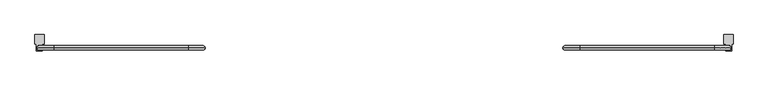
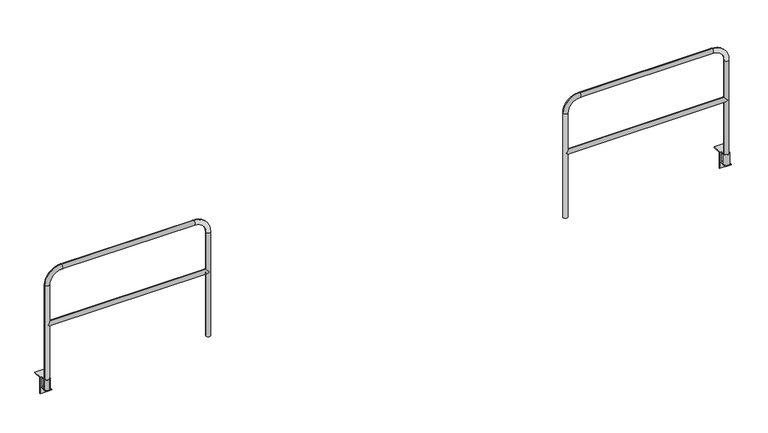
"""IFC4 building model written with IfcOpenShell, lengths in millimetres: railing geometry."""

from ifc_helpers import new_model, si_unit, point, frame, frame_2d, origin, place, context, project, spatial, polyline, circle_curve, ellipse_curve, trimmed, segment, composite_curve, outline, extrude, source, transform, mapped, element, save
from ifc_brep_helpers import plane_surface, cylinder_surface, revolved_surface, advanced_brep


def railing_348017b5(model_context):
    return source(origin(), model_context, "Body", "SolidModel", [
        advanced_brep(
        [(25061.8496377, 15414.0676937, -95.25), (25061.8496377, 15441.0551937, -95.25), (25061.8496377, 15479.1551937, -95.25), (25061.8496377, 15479.1551937, -101.6), (25061.8496377, 15414.0676937, -101.6), (25061.8496377, 15479.1551937, 6.35), (25061.8496377, 15479.1551937, 0.0), (25061.8496377, 15441.0551937, 0.0), (25061.8496377, 15441.0551937, 6.35), (25115.8246377, 15479.1551937, -101.6), (25115.8246377, 15479.1551937, -95.25), (25115.8246377, 15441.0551937, -95.25), (25115.8246377, 15414.0676937, -95.25), (25115.8246377, 15414.0676937, -101.6), (25115.8246377, 15479.1551937, 0.0), (25115.8246377, 15479.1551937, 6.35), (25115.8246377, 15441.0551937, 6.35), (25115.8246377, 15441.0551937, 0.0), (25130.205601, 15561.7051937, 6.35), (25047.4686744, 15561.7051937, 6.35), (25047.4686744, 15479.1551937, 6.35), (25130.205601, 15479.1551937, 6.35), (25130.205601, 15561.7051937, 0.0), (25047.4686744, 15561.7051937, 0.0), (25130.205601, 15485.5051937, 0.0), (25115.8246377, 15485.5051937, 0.0), (25061.8496377, 15485.5051937, 0.0), (25047.4686744, 15485.5051937, 0.0), (25115.8246377, 15485.5051937, -95.25), (25130.205601, 15485.5051937, -152.4), (25047.4686744, 15485.5051937, -152.4), (25061.8496377, 15485.5051937, -95.25), (25088.8371377, 15414.0676937, -95.25), (25130.205601, 15479.1551937, -152.4), (25047.4686744, 15479.1551937, -152.4)],
        [
            (0, 1),
            (1, 2),
            (2, 3),
            (3, 4),
            (4, 0),
            (5, 6),
            (6, 7),
            (7, 8),
            (8, 5),
            (9, 10),
            (10, 11),
            (11, 12),
            (12, 13),
            (13, 9),
            (14, 15),
            (15, 16),
            (16, 17),
            (17, 14),
            (18, 19),
            (19, 20),
            (20, 5),
            (8, 16, circle_curve(frame((25088.8371377, 15441.0551937, 6.35), z_axis=(0.0, 0.0, -1.0), x_axis=(-1.0000000000000002, 0.0, 0.0)), 26.9875)),
            (15, 21),
            (21, 18),
            (22, 23),
            (23, 19),
            (18, 22),
            (24, 25),
            (25, 14),
            (17, 7, circle_curve(frame((25088.8371377, 15441.0551937, 0.0), z_axis=(0.0, 0.0, 1.0), x_axis=(-1.0000000000000002, 0.0, 0.0)), 26.9875)),
            (6, 26),
            (26, 27),
            (27, 23),
            (22, 24),
            (28, 25),
            (24, 29),
            (29, 30),
            (30, 27),
            (26, 31),
            (31, 28),
            (31, 2),
            (0, 32),
            (32, 12),
            (10, 28),
            (4, 13),
            (3, 9),
            (21, 33),
            (33, 29),
            (10, 14),
            (30, 34),
            (34, 20),
            (6, 2),
            (34, 33),
        ],
        [
            plane_surface(frame((25061.8496377, 15485.5051937, 0.0), z_axis=(-1.0, 0.0, 0.0), x_axis=(0.0, 0.0, 1.0))),
            plane_surface(frame((25115.8246377, 15485.5051937, 0.0), z_axis=(1.0, 0.0, 0.0), x_axis=(0.0, 0.0, 1.0))),
            plane_surface(frame((25061.8496377, 15561.7051937, 6.35), z_axis=(0.0, 0.0, 1.0), x_axis=(1.0, 0.0, 0.0))),
            plane_surface(frame((25061.8496377, 15561.7051937, 0.0), z_axis=(0.0, 1.0, 0.0), x_axis=(1.0, 0.0, 0.0))),
            plane_surface(frame((25061.8496377, 15441.0551937, 0.0), z_axis=(0.0, 0.0, -1.0), x_axis=(1.0, 0.0, 0.0))),
            plane_surface(frame((25061.8496377, 15485.5051937, -152.4), z_axis=(0.0, 1.0, 0.0), x_axis=(1.0, 0.0, 0.0))),
            plane_surface(frame((25061.8496377, 15485.5051937, -95.25), z_axis=(0.0, 0.0, 1.0), x_axis=(1.0, 0.0, 0.0))),
            plane_surface(frame((25061.8496377, 15414.0676937, -95.25), z_axis=(0.0, -1.0, 0.0), x_axis=(1.0, 0.0, 0.0))),
            plane_surface(frame((25061.8496377, 15414.0676937, -101.6), z_axis=(0.0, 0.0, -1.0), x_axis=(1.0, 0.0, 0.0))),
            plane_surface(frame((25130.205601, 15485.5051937, 0.0), z_axis=(1.0, 0.0, 0.0), x_axis=(0.0, 0.0, 1.0))),
            plane_surface(frame((25115.8246377, 15485.5051937, 0.0), z_axis=(-1.0, 0.0, 0.0), x_axis=(0.0, 0.0, 1.0))),
            plane_surface(frame((25047.4686744, 15485.5051937, 0.0), z_axis=(-1.0, 0.0, 0.0), x_axis=(0.0, 0.0, 1.0))),
            plane_surface(frame((25061.8496377, 15485.5051937, 0.0), z_axis=(1.0, 0.0, 0.0), x_axis=(0.0, 0.0, 1.0))),
            revolved_surface(polyline([(25061.8496377, 15441.0551937, 6.349999999999994), (25061.8496377, 15441.0551937, 0.0)]), (25088.8371377, 15441.0551937, -95.25), (0.0, 0.0, 1.0)),
            plane_surface(frame((25061.8496377, 15479.1551937, -101.6), z_axis=(0.0, -1.0, 0.0), x_axis=(1.0, 0.0, 0.0))),
            plane_surface(frame((25061.8496377, 15479.1551937, -152.4), z_axis=(0.0, 0.0, -1.0), x_axis=(1.0, 0.0, 0.0))),
        ],
        [
            (0, [[1, 2, 3, 4, 5]]),
            (0, [[6, 7, 8, 9]]),
            (1, [[10, 11, 12, 13, 14]]),
            (1, [[15, 16, 17, 18]]),
            (2, [[19, 20, 21, -9, 22, -16, 23, 24]]),
            (3, [[25, 26, -19, 27]]),
            (4, [[28, 29, -18, 30, -7, 31, 32, 33, -25, 34]]),
            (5, [[35, -28, 36, 37, 38, -32, 39, 40]]),
            (6, [[41, -2, -1, 42, 43, -12, -11, 44, -40]]),
            (7, [[45, -13, -43, -42, -5]]),
            (8, [[46, -14, -45, -4]]),
            (9, [[-36, -34, -27, -24, 47, 48]]),
            (10, [[-44, 49, -29, -35]]),
            (11, [[50, 51, -20, -26, -33, -38]]),
            (12, [[-31, 52, -41, -39]]),
            (13, [[-30, -17, -22, -8]]),
            (14, [[-3, -52, -6, -21, -51, 53, -47, -23, -15, -49, -10, -46]]),
            (15, [[-53, -50, -37, -48]]),
        ],
    ),
        extrude(outline(composite_curve([segment(trimmed(circle_curve(frame_2d((25088.8371377, 15441.0551937)), 26.9875), [point((25115.8246377, 15441.0551937))], [point((25061.8496377, 15441.0551937))], False, "CARTESIAN"), True, "CONTINUOUS"), segment(trimmed(circle_curve(frame_2d((25088.8371377, 15441.0551937)), 26.9875), [point((25061.8496377, 15441.0551937))], [point((25115.8246377, 15441.0551937))], False, "CARTESIAN"), True, "CONTINUOUS")], self_intersect=False), holes=[composite_curve([segment(trimmed(circle_curve(frame_2d((25088.8371377, 15441.0551937)), 20.6375), [point((25109.4746377, 15441.0551937))], [point((25068.1996377, 15441.0551937))], True, "CARTESIAN"), True, "CONTINUOUS"), segment(trimmed(circle_curve(frame_2d((25088.8371377, 15441.0551937)), 20.6375), [point((25068.1996377, 15441.0551937))], [point((25109.4746377, 15441.0551937))], True, "CARTESIAN"), True, "CONTINUOUS")], self_intersect=False)]), frame((0.0, 0.0, -95.25), z_axis=(0.0, 0.0, 1.0), x_axis=(1.0, 0.0, 0.0)), (0.0, 0.0, 1.0), 101.6),
        advanced_brep(
        [(23626.7496377, 15441.0551937, 554.0375), (23606.1121377, 15420.4176937, 533.4), (23626.7496377, 15441.0551937, 512.7625), (25068.1996377, 15441.0551937, 512.7625), (25088.8371377, 15420.4176937, 533.4), (25068.1996377, 15441.0551937, 554.0375), (25088.8371377, 15461.6926937, 533.4), (23606.1121377, 15461.6926937, 533.4), (23585.4746377, 15441.0551937, -95.25), (23626.7496377, 15441.0551937, -95.25), (23626.7496377, 15441.0551937, 914.4), (23585.4746377, 15441.0551937, 914.4), (23737.8746377, 15441.0551937, 1025.525), (23737.8746377, 15441.0551937, 1066.8), (24957.0746377, 15441.0551937, 1025.525), (24957.0746377, 15441.0551937, 1066.8), (25068.1996377, 15441.0551937, 914.4), (25109.4746377, 15441.0551937, 914.4), (25109.4746377, 15441.0551937, -95.25), (25068.1996377, 15441.0551937, -95.25)],
        [
            (0, 1, ellipse_curve(frame((23606.1121377, 15441.0551937, 533.4), z_axis=(0.7071067811865475, 0.0, -0.7071067811865475), x_axis=(-0.7071067811865476, 0.0, -0.7071067811865474)), 29.1858324, 20.6375)),
            (1, 2, ellipse_curve(frame((23606.1121377, 15441.0551937, 533.4), z_axis=(0.7071067811865475, 0.0, 0.7071067811865475), x_axis=(-0.7071067811865476, 0.0, 0.7071067811865474)), 29.1858324, 20.6375)),
            (2, 3),
            (3, 4, ellipse_curve(frame((25088.8371377, 15441.0551937, 533.4), z_axis=(-0.7071067811865475, 0.0, 0.7071067811865475), x_axis=(-0.7071067811865476, 0.0, -0.7071067811865474)), 29.1858324, 20.6375)),
            (4, 5, ellipse_curve(frame((25088.8371377, 15441.0551937, 533.4), z_axis=(-0.7071067811865475, 0.0, -0.7071067811865475), x_axis=(-0.7071067811865476, 0.0, 0.7071067811865474)), 29.1858324, 20.6375)),
            (5, 0),
            (5, 6, ellipse_curve(frame((25088.8371377, 15441.0551937, 533.4), z_axis=(-0.7071067811865475, 0.0, -0.7071067811865475), x_axis=(-0.7071067811865476, 0.0, 0.7071067811865474)), 29.1858324, 20.6375)),
            (6, 3, ellipse_curve(frame((25088.8371377, 15441.0551937, 533.4), z_axis=(-0.7071067811865475, 0.0, 0.7071067811865475), x_axis=(-0.7071067811865476, 0.0, -0.7071067811865474)), 29.1858324, 20.6375)),
            (2, 7, ellipse_curve(frame((23606.1121377, 15441.0551937, 533.4), z_axis=(0.7071067811865475, 0.0, 0.7071067811865475), x_axis=(-0.7071067811865476, 0.0, 0.7071067811865474)), 29.1858324, 20.6375)),
            (7, 0, ellipse_curve(frame((23606.1121377, 15441.0551937, 533.4), z_axis=(0.7071067811865475, 0.0, -0.7071067811865475), x_axis=(-0.7071067811865476, 0.0, -0.7071067811865474)), 29.1858324, 20.6375)),
            (8, 9, circle_curve(frame((23606.1121377, 15441.0551937, -95.25), z_axis=(0.0, 0.0, -1.0), x_axis=(1.0, 0.0, 0.0)), 20.6375)),
            (9, 8, circle_curve(frame((23606.1121377, 15441.0551937, -95.25), z_axis=(0.0, 0.0, -1.0), x_axis=(1.0, 0.0, 0.0)), 20.6375)),
            (9, 2),
            (0, 10),
            (10, 11, circle_curve(frame((23606.1121377, 15441.0551937, 914.4), z_axis=(0.0, 0.0, -1.0), x_axis=(1.0, 0.0, 0.0)), 20.6375)),
            (11, 8),
            (11, 10, circle_curve(frame((23606.1121377, 15441.0551937, 914.4), z_axis=(0.0, 0.0, -1.0), x_axis=(1.0, 0.0, 0.0)), 20.6375)),
            (10, 12, circle_curve(frame((23737.8746377, 15441.0551937, 914.4), z_axis=(0.0, 1.0, 0.0), x_axis=(-1.0, 0.0, 0.0)), 111.125)),
            (12, 13, circle_curve(frame((23737.8746377, 15441.0551937, 1046.1625), z_axis=(-1.0, 0.0, 0.0), x_axis=(0.0, 0.0, -1.0)), 20.6375)),
            (13, 11, circle_curve(frame((23737.8746377, 15441.0551937, 914.4), z_axis=(0.0, -1.0, 0.0), x_axis=(-1.0, 0.0, 0.0)), 152.4)),
            (13, 12, circle_curve(frame((23737.8746377, 15441.0551937, 1046.1625), z_axis=(-1.0, 0.0, 0.0), x_axis=(0.0, 0.0, -1.0)), 20.6375)),
            (12, 14),
            (14, 15, circle_curve(frame((24957.0746377, 15441.0551937, 1046.1625), z_axis=(-1.0, 0.0, 0.0), x_axis=(0.0, 0.0, -1.0)), 20.6375)),
            (15, 13),
            (15, 14, circle_curve(frame((24957.0746377, 15441.0551937, 1046.1625), z_axis=(-1.0, 0.0, 0.0), x_axis=(0.0, 0.0, -1.0)), 20.6375)),
            (14, 16, circle_curve(frame((24957.0746377, 15441.0551937, 914.4), z_axis=(0.0, 1.0, 0.0), x_axis=(0.0, 0.0, 1.0)), 111.125)),
            (16, 17, circle_curve(frame((25088.8371377, 15441.0551937, 914.4), z_axis=(0.0, 0.0, 1.0), x_axis=(-1.0, 0.0, 0.0)), 20.6375)),
            (17, 15, circle_curve(frame((24957.0746377, 15441.0551937, 914.4), z_axis=(0.0, -1.0, 0.0), x_axis=(0.0, 0.0, 1.0)), 152.4)),
            (17, 16, circle_curve(frame((25088.8371377, 15441.0551937, 914.4), z_axis=(0.0, 0.0, 1.0), x_axis=(-1.0, 0.0, 0.0)), 20.6375)),
            (18, 19, circle_curve(frame((25088.8371377, 15441.0551937, -95.25), z_axis=(0.0, 0.0, -1.0), x_axis=(-1.0, 0.0, 0.0)), 20.6375)),
            (19, 18, circle_curve(frame((25088.8371377, 15441.0551937, -95.25), z_axis=(0.0, 0.0, -1.0), x_axis=(-1.0, 0.0, 0.0)), 20.6375)),
            (16, 5),
            (3, 19),
            (18, 17),
        ],
        [
            cylinder_surface(frame((23606.1121377, 15441.0551937, 533.4), z_axis=(-1.0, 0.0, 0.0), x_axis=(0.0, 0.0, -1.0)), 20.6375),
            plane_surface(frame((23585.4746377, 15441.0551937, -95.25), z_axis=(0.0, 0.0, -1.0), x_axis=(0.0, -1.0, 0.0))),
            cylinder_surface(frame((23606.1121377, 15441.0551937, -95.25), z_axis=(0.0, 0.0, -1.0), x_axis=(1.0, 0.0, 0.0)), 20.6375),
            revolved_surface(trimmed(ellipse_curve(frame((23606.1121377, 15441.0551937, 914.4), z_axis=(0.0, 0.0, 1.0), x_axis=(1.0, 0.0, 0.0)), 20.6375, 20.6375), [point((23585.4746377, 15441.0551937, 914.4))], [point((23626.7496377, 15441.0551937, 914.4))], True, "CARTESIAN"), (23737.8746377, 15441.0551937, 914.4), (0.0, -1.0, 0.0)),
            revolved_surface(trimmed(ellipse_curve(frame((23606.1121377, 15441.0551937, 914.4), z_axis=(0.0, 0.0, 1.0), x_axis=(1.0, 0.0, 0.0)), 20.6375, 20.6375), [point((23626.7496377, 15441.0551937, 914.4))], [point((23585.4746377, 15441.0551937, 914.4))], True, "CARTESIAN"), (23737.8746377, 15441.0551937, 914.4), (0.0, -1.0, 0.0)),
            cylinder_surface(frame((23737.8746377, 15441.0551937, 1046.1625), z_axis=(-1.0, 0.0, 0.0), x_axis=(0.0, 0.0, -1.0)), 20.6375),
            revolved_surface(trimmed(ellipse_curve(frame((24957.0746377, 15441.0551937, 1046.1625), z_axis=(1.0, 0.0, 0.0), x_axis=(0.0, 0.0, -1.0)), 20.6375, 20.6375), [point((24957.0746377, 15441.0551937, 1066.8))], [point((24957.0746377, 15441.0551937, 1025.525))], True, "CARTESIAN"), (24957.0746377, 15441.0551937, 914.4), (0.0, -1.0, 0.0)),
            revolved_surface(trimmed(ellipse_curve(frame((24957.0746377, 15441.0551937, 1046.1625), z_axis=(1.0, 0.0, 0.0), x_axis=(0.0, 0.0, -1.0)), 20.6375, 20.6375), [point((24957.0746377, 15441.0551937, 1025.525))], [point((24957.0746377, 15441.0551937, 1066.8))], True, "CARTESIAN"), (24957.0746377, 15441.0551937, 914.4), (0.0, -1.0, 0.0)),
            plane_surface(frame((25109.4746377, 15441.0551937, -95.25), z_axis=(0.0, 0.0, -1.0), x_axis=(0.0, -1.0, 0.0))),
            cylinder_surface(frame((25088.8371377, 15441.0551937, 914.4), z_axis=(0.0, 0.0, 1.0), x_axis=(-1.0, 0.0, 0.0)), 20.6375),
        ],
        [
            (0, [[1, 2, 3, 4, 5, 6]]),
            (0, [[7, 8, -3, 9, 10, -6]]),
            (1, [[11, 12]]),
            (2, [[13, -2, -1, 14, 15, 16, -12]]),
            (2, [[-16, 17, -14, -10, -9, -13, -11]]),
            (3, [[18, 19, 20, -15]]),
            (4, [[-20, 21, -18, -17]]),
            (5, [[22, 23, 24, -19]]),
            (5, [[-24, 25, -22, -21]]),
            (6, [[26, 27, 28, -23]]),
            (7, [[-28, 29, -26, -25]]),
            (8, [[30, 31]]),
            (9, [[32, -5, -4, 33, -30, 34, -27]]),
            (9, [[-34, -31, -33, -8, -7, -32, -29]]),
        ],
    ),
        advanced_brep(
        [(18807.7346377, 15414.0676937, -95.25), (18807.7346377, 15441.0551937, -95.25), (18807.7346377, 15479.1551937, -95.25), (18807.7346377, 15479.1551937, -101.6), (18807.7346377, 15414.0676937, -101.6), (18807.7346377, 15479.1551937, 6.35), (18807.7346377, 15479.1551937, 0.0), (18807.7346377, 15441.0551937, 0.0), (18807.7346377, 15441.0551937, 6.35), (18861.7096377, 15479.1551937, -101.6), (18861.7096377, 15479.1551937, -95.25), (18861.7096377, 15441.0551937, -95.25), (18861.7096377, 15414.0676937, -95.25), (18861.7096377, 15414.0676937, -101.6), (18861.7096377, 15479.1551937, 0.0), (18861.7096377, 15479.1551937, 6.35), (18861.7096377, 15441.0551937, 6.35), (18861.7096377, 15441.0551937, 0.0), (18876.090601, 15561.7051937, 6.35), (18793.3536744, 15561.7051937, 6.35), (18793.3536744, 15479.1551937, 6.35), (18876.090601, 15479.1551937, 6.35), (18876.090601, 15561.7051937, 0.0), (18793.3536744, 15561.7051937, 0.0), (18876.090601, 15485.5051937, 0.0), (18861.7096377, 15485.5051937, 0.0), (18807.7346377, 15485.5051937, 0.0), (18793.3536744, 15485.5051937, 0.0), (18861.7096377, 15485.5051937, -95.25), (18876.090601, 15485.5051937, -152.4), (18793.3536744, 15485.5051937, -152.4), (18807.7346377, 15485.5051937, -95.25), (18834.7221377, 15414.0676937, -95.25), (18876.090601, 15479.1551937, -152.4), (18793.3536744, 15479.1551937, -152.4)],
        [
            (0, 1),
            (1, 2),
            (2, 3),
            (3, 4),
            (4, 0),
            (5, 6),
            (6, 7),
            (7, 8),
            (8, 5),
            (9, 10),
            (10, 11),
            (11, 12),
            (12, 13),
            (13, 9),
            (14, 15),
            (15, 16),
            (16, 17),
            (17, 14),
            (18, 19),
            (19, 20),
            (20, 5),
            (8, 16, circle_curve(frame((18834.7221377, 15441.0551937, 6.35), z_axis=(0.0, 0.0, -1.0), x_axis=(-1.0000000000000002, 0.0, 0.0)), 26.9875)),
            (15, 21),
            (21, 18),
            (22, 23),
            (23, 19),
            (18, 22),
            (24, 25),
            (25, 14),
            (17, 7, circle_curve(frame((18834.7221377, 15441.0551937, 0.0), z_axis=(0.0, 0.0, 1.0), x_axis=(-1.0000000000000002, 0.0, 0.0)), 26.9875)),
            (6, 26),
            (26, 27),
            (27, 23),
            (22, 24),
            (28, 25),
            (24, 29),
            (29, 30),
            (30, 27),
            (26, 31),
            (31, 28),
            (31, 2),
            (0, 32),
            (32, 12),
            (10, 28),
            (4, 13),
            (3, 9),
            (21, 33),
            (33, 29),
            (10, 14),
            (30, 34),
            (34, 20),
            (6, 2),
            (34, 33),
        ],
        [
            plane_surface(frame((18807.7346377, 15485.5051937, 0.0), z_axis=(-1.0, 0.0, 0.0), x_axis=(0.0, 0.0, 1.0))),
            plane_surface(frame((18861.7096377, 15485.5051937, 0.0), z_axis=(1.0, 0.0, 0.0), x_axis=(0.0, 0.0, 1.0))),
            plane_surface(frame((18807.7346377, 15561.7051937, 6.35), z_axis=(0.0, 0.0, 1.0), x_axis=(1.0, 0.0, 0.0))),
            plane_surface(frame((18807.7346377, 15561.7051937, 0.0), z_axis=(0.0, 1.0, 0.0), x_axis=(1.0, 0.0, 0.0))),
            plane_surface(frame((18807.7346377, 15441.0551937, 0.0), z_axis=(0.0, 0.0, -1.0), x_axis=(1.0, 0.0, 0.0))),
            plane_surface(frame((18807.7346377, 15485.5051937, -152.4), z_axis=(0.0, 1.0, 0.0), x_axis=(1.0, 0.0, 0.0))),
            plane_surface(frame((18807.7346377, 15485.5051937, -95.25), z_axis=(0.0, 0.0, 1.0), x_axis=(1.0, 0.0, 0.0))),
            plane_surface(frame((18807.7346377, 15414.0676937, -95.25), z_axis=(0.0, -1.0, 0.0), x_axis=(1.0, 0.0, 0.0))),
            plane_surface(frame((18807.7346377, 15414.0676937, -101.6), z_axis=(0.0, 0.0, -1.0), x_axis=(1.0, 0.0, 0.0))),
            plane_surface(frame((18876.090601, 15485.5051937, 0.0), z_axis=(1.0, 0.0, 0.0), x_axis=(0.0, 0.0, 1.0))),
            plane_surface(frame((18861.7096377, 15485.5051937, 0.0), z_axis=(-1.0, 0.0, 0.0), x_axis=(0.0, 0.0, 1.0))),
            plane_surface(frame((18793.3536744, 15485.5051937, 0.0), z_axis=(-1.0, 0.0, 0.0), x_axis=(0.0, 0.0, 1.0))),
            plane_surface(frame((18807.7346377, 15485.5051937, 0.0), z_axis=(1.0, 0.0, 0.0), x_axis=(0.0, 0.0, 1.0))),
            revolved_surface(polyline([(18807.7346377, 15441.0551937, 6.349999999999994), (18807.7346377, 15441.0551937, 0.0)]), (18834.7221377, 15441.0551937, -95.25), (0.0, 0.0, 1.0)),
            plane_surface(frame((18807.7346377, 15479.1551937, -101.6), z_axis=(0.0, -1.0, 0.0), x_axis=(1.0, 0.0, 0.0))),
            plane_surface(frame((18807.7346377, 15479.1551937, -152.4), z_axis=(0.0, 0.0, -1.0), x_axis=(1.0, 0.0, 0.0))),
        ],
        [
            (0, [[1, 2, 3, 4, 5]]),
            (0, [[6, 7, 8, 9]]),
            (1, [[10, 11, 12, 13, 14]]),
            (1, [[15, 16, 17, 18]]),
            (2, [[19, 20, 21, -9, 22, -16, 23, 24]]),
            (3, [[25, 26, -19, 27]]),
            (4, [[28, 29, -18, 30, -7, 31, 32, 33, -25, 34]]),
            (5, [[35, -28, 36, 37, 38, -32, 39, 40]]),
            (6, [[41, -2, -1, 42, 43, -12, -11, 44, -40]]),
            (7, [[45, -13, -43, -42, -5]]),
            (8, [[46, -14, -45, -4]]),
            (9, [[-36, -34, -27, -24, 47, 48]]),
            (10, [[-44, 49, -29, -35]]),
            (11, [[50, 51, -20, -26, -33, -38]]),
            (12, [[-31, 52, -41, -39]]),
            (13, [[-30, -17, -22, -8]]),
            (14, [[-3, -52, -6, -21, -51, 53, -47, -23, -15, -49, -10, -46]]),
            (15, [[-53, -50, -37, -48]]),
        ],
    ),
        extrude(outline(composite_curve([segment(trimmed(circle_curve(frame_2d((18834.7221377, 15441.0551937)), 26.9875), [point((18861.7096377, 15441.0551937))], [point((18807.7346377, 15441.0551937))], False, "CARTESIAN"), True, "CONTINUOUS"), segment(trimmed(circle_curve(frame_2d((18834.7221377, 15441.0551937)), 26.9875), [point((18807.7346377, 15441.0551937))], [point((18861.7096377, 15441.0551937))], False, "CARTESIAN"), True, "CONTINUOUS")], self_intersect=False), holes=[composite_curve([segment(trimmed(circle_curve(frame_2d((18834.7221377, 15441.0551937)), 20.6375), [point((18855.3596377, 15441.0551937))], [point((18814.0846377, 15441.0551937))], True, "CARTESIAN"), True, "CONTINUOUS"), segment(trimmed(circle_curve(frame_2d((18834.7221377, 15441.0551937)), 20.6375), [point((18814.0846377, 15441.0551937))], [point((18855.3596377, 15441.0551937))], True, "CARTESIAN"), True, "CONTINUOUS")], self_intersect=False)]), frame((0.0, 0.0, -95.25), z_axis=(0.0, 0.0, 1.0), x_axis=(1.0, 0.0, 0.0)), (0.0, 0.0, 1.0), 101.6),
        advanced_brep(
        [(18855.3596377, 15441.0551937, 554.0375), (18834.7221377, 15420.4176937, 533.4), (18855.3596377, 15441.0551937, 512.7625), (20296.8096377, 15441.0551937, 512.7625), (20317.4471377, 15420.4176937, 533.4), (20296.8096377, 15441.0551937, 554.0375), (20317.4471377, 15461.6926937, 533.4), (18834.7221377, 15461.6926937, 533.4), (18814.0846377, 15441.0551937, -95.25), (18855.3596377, 15441.0551937, -95.25), (18855.3596377, 15441.0551937, 914.4), (18814.0846377, 15441.0551937, 914.4), (18966.4846377, 15441.0551937, 1025.525), (18966.4846377, 15441.0551937, 1066.8), (20185.6846377, 15441.0551937, 1025.525), (20185.6846377, 15441.0551937, 1066.8), (20296.8096377, 15441.0551937, 914.4), (20338.0846377, 15441.0551937, 914.4), (20338.0846377, 15441.0551937, -95.25), (20296.8096377, 15441.0551937, -95.25)],
        [
            (0, 1, ellipse_curve(frame((18834.7221377, 15441.0551937, 533.4), z_axis=(0.7071067811865475, 0.0, -0.7071067811865475), x_axis=(-0.7071067811865476, 0.0, -0.7071067811865474)), 29.1858324, 20.6375)),
            (1, 2, ellipse_curve(frame((18834.7221377, 15441.0551937, 533.4), z_axis=(0.7071067811865475, 0.0, 0.7071067811865475), x_axis=(-0.7071067811865476, 0.0, 0.7071067811865474)), 29.1858324, 20.6375)),
            (2, 3),
            (3, 4, ellipse_curve(frame((20317.4471377, 15441.0551937, 533.4), z_axis=(-0.7071067811865475, 0.0, 0.7071067811865475), x_axis=(-0.7071067811865476, 0.0, -0.7071067811865474)), 29.1858324, 20.6375)),
            (4, 5, ellipse_curve(frame((20317.4471377, 15441.0551937, 533.4), z_axis=(-0.7071067811865475, 0.0, -0.7071067811865475), x_axis=(-0.7071067811865476, 0.0, 0.7071067811865474)), 29.1858324, 20.6375)),
            (5, 0),
            (5, 6, ellipse_curve(frame((20317.4471377, 15441.0551937, 533.4), z_axis=(-0.7071067811865475, 0.0, -0.7071067811865475), x_axis=(-0.7071067811865476, 0.0, 0.7071067811865474)), 29.1858324, 20.6375)),
            (6, 3, ellipse_curve(frame((20317.4471377, 15441.0551937, 533.4), z_axis=(-0.7071067811865475, 0.0, 0.7071067811865475), x_axis=(-0.7071067811865476, 0.0, -0.7071067811865474)), 29.1858324, 20.6375)),
            (2, 7, ellipse_curve(frame((18834.7221377, 15441.0551937, 533.4), z_axis=(0.7071067811865475, 0.0, 0.7071067811865475), x_axis=(-0.7071067811865476, 0.0, 0.7071067811865474)), 29.1858324, 20.6375)),
            (7, 0, ellipse_curve(frame((18834.7221377, 15441.0551937, 533.4), z_axis=(0.7071067811865475, 0.0, -0.7071067811865475), x_axis=(-0.7071067811865476, 0.0, -0.7071067811865474)), 29.1858324, 20.6375)),
            (8, 9, circle_curve(frame((18834.7221377, 15441.0551937, -95.25), z_axis=(0.0, 0.0, -1.0), x_axis=(1.0, 0.0, 0.0)), 20.6375)),
            (9, 8, circle_curve(frame((18834.7221377, 15441.0551937, -95.25), z_axis=(0.0, 0.0, -1.0), x_axis=(1.0, 0.0, 0.0)), 20.6375)),
            (9, 2),
            (0, 10),
            (10, 11, circle_curve(frame((18834.7221377, 15441.0551937, 914.4), z_axis=(0.0, 0.0, -1.0), x_axis=(1.0, 0.0, 0.0)), 20.6375)),
            (11, 8),
            (11, 10, circle_curve(frame((18834.7221377, 15441.0551937, 914.4), z_axis=(0.0, 0.0, -1.0), x_axis=(1.0, 0.0, 0.0)), 20.6375)),
            (10, 12, circle_curve(frame((18966.4846377, 15441.0551937, 914.4), z_axis=(0.0, 1.0, 0.0), x_axis=(-1.0, 0.0, 0.0)), 111.125)),
            (12, 13, circle_curve(frame((18966.4846377, 15441.0551937, 1046.1625), z_axis=(-1.0, 0.0, 0.0), x_axis=(0.0, 0.0, -1.0)), 20.6375)),
            (13, 11, circle_curve(frame((18966.4846377, 15441.0551937, 914.4), z_axis=(0.0, -1.0, 0.0), x_axis=(-1.0, 0.0, 0.0)), 152.4)),
            (13, 12, circle_curve(frame((18966.4846377, 15441.0551937, 1046.1625), z_axis=(-1.0, 0.0, 0.0), x_axis=(0.0, 0.0, -1.0)), 20.6375)),
            (12, 14),
            (14, 15, circle_curve(frame((20185.6846377, 15441.0551937, 1046.1625), z_axis=(-1.0, 0.0, 0.0), x_axis=(0.0, 0.0, -1.0)), 20.6375)),
            (15, 13),
            (15, 14, circle_curve(frame((20185.6846377, 15441.0551937, 1046.1625), z_axis=(-1.0, 0.0, 0.0), x_axis=(0.0, 0.0, -1.0)), 20.6375)),
            (14, 16, circle_curve(frame((20185.6846377, 15441.0551937, 914.4), z_axis=(0.0, 1.0, 0.0), x_axis=(0.0, 0.0, 1.0)), 111.125)),
            (16, 17, circle_curve(frame((20317.4471377, 15441.0551937, 914.4), z_axis=(0.0, 0.0, 1.0), x_axis=(-1.0, 0.0, 0.0)), 20.6375)),
            (17, 15, circle_curve(frame((20185.6846377, 15441.0551937, 914.4), z_axis=(0.0, -1.0, 0.0), x_axis=(0.0, 0.0, 1.0)), 152.4)),
            (17, 16, circle_curve(frame((20317.4471377, 15441.0551937, 914.4), z_axis=(0.0, 0.0, 1.0), x_axis=(-1.0, 0.0, 0.0)), 20.6375)),
            (18, 19, circle_curve(frame((20317.4471377, 15441.0551937, -95.25), z_axis=(0.0, 0.0, -1.0), x_axis=(-1.0, 0.0, 0.0)), 20.6375)),
            (19, 18, circle_curve(frame((20317.4471377, 15441.0551937, -95.25), z_axis=(0.0, 0.0, -1.0), x_axis=(-1.0, 0.0, 0.0)), 20.6375)),
            (16, 5),
            (3, 19),
            (18, 17),
        ],
        [
            cylinder_surface(frame((18834.7221377, 15441.0551937, 533.4), z_axis=(-1.0, 0.0, 0.0), x_axis=(0.0, 0.0, -1.0)), 20.6375),
            plane_surface(frame((18814.0846377, 15441.0551937, -95.25), z_axis=(0.0, 0.0, -1.0), x_axis=(0.0, -1.0, 0.0))),
            cylinder_surface(frame((18834.7221377, 15441.0551937, -95.25), z_axis=(0.0, 0.0, -1.0), x_axis=(1.0, 0.0, 0.0)), 20.6375),
            revolved_surface(trimmed(ellipse_curve(frame((18834.7221377, 15441.0551937, 914.4), z_axis=(0.0, 0.0, 1.0), x_axis=(1.0, 0.0, 0.0)), 20.6375, 20.6375), [point((18814.0846377, 15441.0551937, 914.4))], [point((18855.3596377, 15441.0551937, 914.4))], True, "CARTESIAN"), (18966.4846377, 15441.0551937, 914.4), (0.0, -1.0, 0.0)),
            revolved_surface(trimmed(ellipse_curve(frame((18834.7221377, 15441.0551937, 914.4), z_axis=(0.0, 0.0, 1.0), x_axis=(1.0, 0.0, 0.0)), 20.6375, 20.6375), [point((18855.3596377, 15441.0551937, 914.4))], [point((18814.0846377, 15441.0551937, 914.4))], True, "CARTESIAN"), (18966.4846377, 15441.0551937, 914.4), (0.0, -1.0, 0.0)),
            cylinder_surface(frame((18966.4846377, 15441.0551937, 1046.1625), z_axis=(-1.0, 0.0, 0.0), x_axis=(0.0, 0.0, -1.0)), 20.6375),
            revolved_surface(trimmed(ellipse_curve(frame((20185.6846377, 15441.0551937, 1046.1625), z_axis=(1.0, 0.0, 0.0), x_axis=(0.0, 0.0, -1.0)), 20.6375, 20.6375), [point((20185.6846377, 15441.0551937, 1066.8))], [point((20185.6846377, 15441.0551937, 1025.525))], True, "CARTESIAN"), (20185.6846377, 15441.0551937, 914.4), (0.0, -1.0, 0.0)),
            revolved_surface(trimmed(ellipse_curve(frame((20185.6846377, 15441.0551937, 1046.1625), z_axis=(1.0, 0.0, 0.0), x_axis=(0.0, 0.0, -1.0)), 20.6375, 20.6375), [point((20185.6846377, 15441.0551937, 1025.525))], [point((20185.6846377, 15441.0551937, 1066.8))], True, "CARTESIAN"), (20185.6846377, 15441.0551937, 914.4), (0.0, -1.0, 0.0)),
            plane_surface(frame((20338.0846377, 15441.0551937, -95.25), z_axis=(0.0, 0.0, -1.0), x_axis=(0.0, -1.0, 0.0))),
            cylinder_surface(frame((20317.4471377, 15441.0551937, 914.4), z_axis=(0.0, 0.0, 1.0), x_axis=(-1.0, 0.0, 0.0)), 20.6375),
        ],
        [
            (0, [[1, 2, 3, 4, 5, 6]]),
            (0, [[7, 8, -3, 9, 10, -6]]),
            (1, [[11, 12]]),
            (2, [[13, -2, -1, 14, 15, 16, -12]]),
            (2, [[-16, 17, -14, -10, -9, -13, -11]]),
            (3, [[18, 19, 20, -15]]),
            (4, [[-20, 21, -18, -17]]),
            (5, [[22, 23, 24, -19]]),
            (5, [[-24, 25, -22, -21]]),
            (6, [[26, 27, 28, -23]]),
            (7, [[-28, 29, -26, -25]]),
            (8, [[30, 31]]),
            (9, [[32, -5, -4, 33, -30, 34, -27]]),
            (9, [[-34, -31, -33, -8, -7, -32, -29]]),
        ],
    ),
    ])


if __name__ == "__main__":
    model = new_model("IFC4")
    model_context = context("Model", 3, world=origin())
    ifc_project = project(units=[si_unit("LENGTHUNIT", "METRE", prefix="MILLI")], contexts=[model_context])
    site = spatial("IfcSite", under=ifc_project)
    building = spatial("IfcBuilding", under=site)
    placement = place(None, origin())
    railing_shape = railing_348017b5(model_context)
    element("IfcRailing", 1, at=placement, inside=building, context=model_context, shape_type="MappedRepresentation", body=[
        mapped(railing_shape, transform((0.0, 0.0, 0.0), x_axis=(1.0, 0.0, 0.0), y_axis=(0.0, 1.0, 0.0), z_axis=(0.0, 0.0, 1.0))),
    ])
    save(model, "model.ifc")
